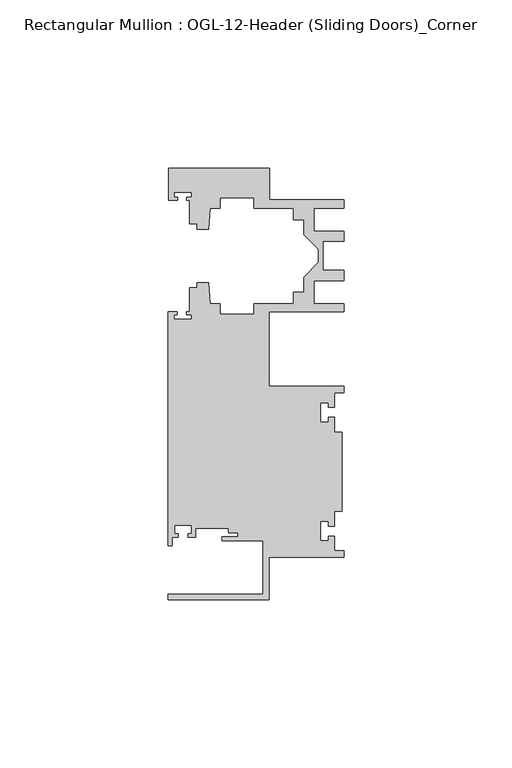
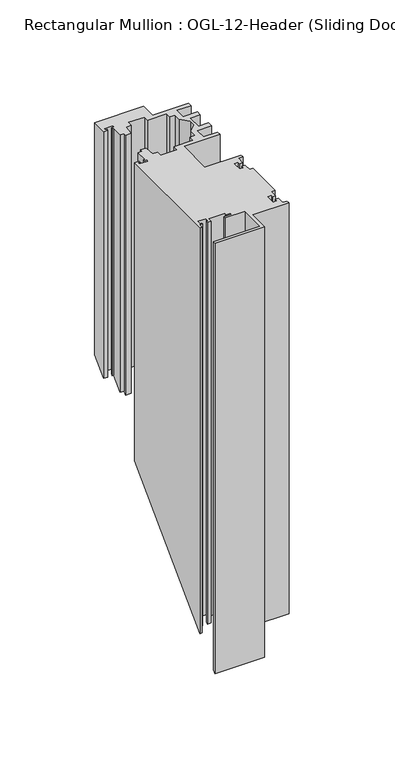
"""IFC4 building model written with IfcOpenShell, lengths in millimetres: member geometry, Rectangular Mullion : OGL-12-Header (Sliding Doors)_Corner."""

from ifc_helpers import new_model, si_unit, origin, place, context, project, spatial, faceted_brep, source, transform, mapped, element, save


def rectangular_mullion_ogl_12_header_sliding_doors_corner_7ee68cdb(model_context):
    return source(origin(), model_context, "Body", "Brep", [
        faceted_brep([(0.0, 4.7625, 0.0), (0.0, 6.674324, 0.0), (-2.740223, 6.674324, 0.0), (-2.740223, 11.0229141, 0.0), (-4.5407068, 11.0229141, 0.0), (-4.5407068, 9.6353294, 0.0), (-7.0406862, 9.6353294, 0.0), (-7.0406862, 15.3973275, 0.0), (-4.5407047, 15.3973275, 0.0), (-4.5407047, 14.0019048, 0.0), (-2.740223, 14.0019048, 0.0), (-2.740223, 18.3583296, 0.0), (-0.508, 18.3583296, 0.0), (-0.508, 41.9666704, 0.0), (-2.740223, 41.9666704, 0.0), (-2.740223, 46.3230952, 0.0), (-4.5407047, 46.3230952, 0.0), (-4.5407047, 44.9276725, 0.0), (-7.0406862, 44.9276725, 0.0), (-7.0406862, 50.6896706, 0.0), (-4.5407068, 50.6896706, 0.0), (-4.5407068, 49.3020859, 0.0), (-2.740223, 49.3020859, 0.0), (-2.740223, 53.650676, 0.0), (0.0, 53.650676, 0.0), (0.0, 55.5625, 0.0), (-22.2332898, 55.5625, 0.0), (-22.2332898, 77.675852, 0.0), (-0.0082575, 77.675852, 0.0), (-0.0082575, 80.175852, 0.0), (-8.8582575, 80.175852, 0.0), (-8.8582575, 87.0187795, 0.0), (-0.0082575, 87.0187795, 0.0), (-0.0082575, 90.0187795, 0.0), (-6.1582575, 90.0187795, 0.0), (-6.1582575, 98.6950565, 0.0), (-0.0082575, 98.6950565, 0.0), (-0.0082575, 101.6950565, 0.0), (-8.8582575, 101.6950565, 0.0), (-8.8582575, 108.537984, 0.0), (-0.0082575, 108.537984, 0.0), (-0.0082575, 111.037984, 0.0), (-22.2032575, 111.037984, 0.0), (-22.2032575, 120.4877352, 0.0), (-52.2095715, 120.4877352, 0.0), (-52.2095715, 110.9050364, 0.0), (-49.5692346, 110.9050364, 0.0), (-49.5692346, 111.8781466, 0.0), (-50.6220715, 111.8781466, 0.0), (-50.6220715, 113.2559363, 0.0), (-45.3220715, 113.2559363, 0.0), (-45.3220715, 111.8781466, 0.0), (-46.8181909, 111.8781466, 0.0), (-46.8181909, 110.9050364, 0.0), (-45.9710366, 110.9050364, 0.0), (-45.9710366, 103.9254518, 0.0), (-43.7582575, 103.9254518, 0.0), (-43.7582575, 102.337984, 0.0), (-40.3395523, 102.337984, 0.0), (-39.7961967, 108.5485669, 0.0), (-36.8419772, 108.5485669, 0.0), (-36.8419772, 111.712984, 0.0), (-26.7462575, 111.712984, 0.0), (-26.7462575, 108.537984, 0.0), (-15.0768765, 108.537984, 0.0), (-15.0768765, 105.137984, 0.0), (-11.8582575, 105.137984, 0.0), (-11.8582575, 100.6566892, 0.0), (-7.4980859, 96.2965176, 0.0), (-7.4980859, 92.4173184, 0.0), (-11.8582575, 88.0571468, 0.0), (-11.8582575, 83.575852, 0.0), (-15.0768765, 83.575852, 0.0), (-15.0768765, 80.175852, 0.0), (-26.7462575, 80.175852, 0.0), (-26.7462575, 77.000852, 0.0), (-36.8419772, 77.000852, 0.0), (-36.8419772, 80.1652691, 0.0), (-39.7961967, 80.1652691, 0.0), (-40.3395523, 86.375852, 0.0), (-43.7582575, 86.375852, 0.0), (-43.7582575, 84.8247994, 0.0), (-45.9710366, 84.8247994, 0.0), (-45.9710366, 77.745996, 0.0), (-46.769305, 77.745996, 0.0), (-46.769305, 76.8721046, 0.0), (-45.3220715, 76.8721046, 0.0), (-45.3220715, 75.4943149, 0.0), (-50.6220715, 75.4943149, 0.0), (-50.6220715, 76.8721046, 0.0), (-49.5910554, 76.8721046, 0.0), (-49.5910554, 77.745996, 0.0), (-52.3921824, 77.745996, 0.0), (-52.3921824, 8.1914024, 0.0), (-51.1362531, 8.1914024, 0.0), (-51.1362531, 10.6800725, 0.0), (-49.3568347, 10.6800725, 0.0), (-49.3568347, 11.6873375, 0.0), (-50.359397, 11.6873375, 0.0), (-50.359397, 14.1873325, 0.0), (-45.359407, 14.1873325, 0.0), (-45.359407, 11.6873375, 0.0), (-46.3304245, 11.6873375, 0.0), (-46.3304245, 10.6800725, 0.0), (-44.1094055, 10.6800725, 0.0), (-44.1094055, 13.2983325, 0.0), (-34.2833684, 13.2983325, 0.0), (-34.2833684, 12.0114739, 0.0), (-31.5444935, 12.0114739, 0.0), (-31.5444935, 10.8618293, 0.0), (-36.2104247, 10.8618293, 0.0), (-36.2104247, 9.5708266, 0.0), (-24.0747898, 9.5708266, 0.0), (-24.0747898, -6.350016, 0.0), (-52.3921824, -6.350016, 0.0), (-52.3921824, -7.9371792, 0.0), (-22.2332898, -7.9371792, 0.0), (-22.2332898, 4.7625, 0.0), (0.0, 4.7625, -265.90625), (0.0, 6.674324, -263.994426), (-2.740223, 6.674324, -263.994426), (-2.740223, 11.0229141, -259.6458359), (-4.5407068, 11.0229141, -259.6458359), (-4.5407068, 9.6353294, -261.0334206), (-7.0406862, 9.6353294, -261.0334206), (-7.0406862, 15.3973275, -255.2714225), (-4.5407047, 15.3973275, -255.2714225), (-4.5407047, 14.0019048, -256.6668452), (-2.740223, 14.0019048, -256.6668452), (-2.740223, 18.3583296, -252.3104204), (-0.508, 18.3583296, -252.3104204), (-0.508, 41.9666704, -228.7020796), (-2.740223, 41.9666704, -228.7020796), (-2.740223, 46.3230952, -224.3456548), (-4.5407047, 46.3230952, -224.3456548), (-4.5407047, 44.9276725, -225.7410775), (-7.0406862, 44.9276725, -225.7410775), (-7.0406862, 50.6896706, -219.9790794), (-4.5407068, 50.6896706, -219.9790794), (-4.5407068, 49.3020859, -221.3666641), (-2.740223, 49.3020859, -221.3666641), (-2.740223, 53.650676, -217.018074), (0.0, 53.650676, -217.018074), (0.0, 55.5625, -215.10625), (-22.2332898, 55.5625, -215.10625), (-22.2332898, 77.675852, -192.992898), (-0.0082575, 77.675852, -192.992898), (-0.0082575, 80.175852, -190.492898), (-8.8582575, 80.175852, -190.492898), (-8.8582575, 87.0187795, -183.6499705), (-0.0082575, 87.0187795, -183.6499705), (-0.0082575, 90.0187795, -180.6499705), (-6.1582575, 90.0187795, -180.6499705), (-6.1582575, 98.6950565, -171.9736935), (-0.0082575, 98.6950565, -171.9736935), (-0.0082575, 101.6950565, -168.9736935), (-8.8582575, 101.6950565, -168.9736935), (-8.8582575, 108.537984, -162.130766), (-0.0082575, 108.537984, -162.130766), (-0.0082575, 111.037984, -159.630766), (-22.2032575, 111.037984, -159.630766), (-22.2032575, 120.4877352, -150.1810148), (-52.2095715, 120.4877352, -150.1810148), (-52.2095715, 110.9050364, -159.7637136), (-49.5692346, 110.9050364, -159.7637136), (-49.5692346, 111.8781466, -158.7906034), (-50.6220715, 111.8781466, -158.7906034), (-50.6220715, 113.2559363, -157.4128137), (-45.3220715, 113.2559363, -157.4128137), (-45.3220715, 111.8781466, -158.7906034), (-46.8181909, 111.8781466, -158.7906034), (-46.8181909, 110.9050364, -159.7637136), (-45.9710366, 110.9050364, -159.7637136), (-45.9710366, 103.9254518, -166.7432982), (-43.7582575, 103.9254518, -166.7432982), (-43.7582575, 102.337984, -168.330766), (-40.3395523, 102.337984, -168.330766), (-39.7961967, 108.5485669, -162.1201831), (-36.8419772, 108.5485669, -162.1201831), (-36.8419772, 111.712984, -158.955766), (-26.7462575, 111.712984, -158.955766), (-26.7462575, 108.537984, -162.130766), (-15.0768765, 108.537984, -162.130766), (-15.0768765, 105.137984, -165.530766), (-11.8582575, 105.137984, -165.530766), (-11.8582575, 100.6566892, -170.0120608), (-7.4980859, 96.2965176, -174.3722324), (-7.4980859, 92.4173184, -178.2514316), (-11.8582575, 88.0571468, -182.6116032), (-11.8582575, 83.575852, -187.092898), (-15.0768765, 83.575852, -187.092898), (-15.0768765, 80.175852, -190.492898), (-26.7462575, 80.175852, -190.492898), (-26.7462575, 77.000852, -193.667898), (-36.8419772, 77.000852, -193.667898), (-36.8419772, 80.1652691, -190.5034809), (-39.7961967, 80.1652691, -190.5034809), (-40.3395523, 86.375852, -184.292898), (-43.7582575, 86.375852, -184.292898), (-43.7582575, 84.8247994, -185.8439506), (-45.9710366, 84.8247994, -185.8439506), (-45.9710366, 77.745996, -192.922754), (-46.769305, 77.745996, -192.922754), (-46.769305, 76.8721046, -193.7966454), (-45.3220715, 76.8721046, -193.7966454), (-45.3220715, 75.4943149, -195.1744351), (-50.6220715, 75.4943149, -195.1744351), (-50.6220715, 76.8721046, -193.7966454), (-49.5910554, 76.8721046, -193.7966454), (-49.5910554, 77.745996, -192.922754), (-52.3921824, 77.745996, -192.922754), (-52.3921824, 8.1914024, -262.4773476), (-51.1362531, 8.1914024, -262.4773476), (-51.1362531, 10.6800725, -259.9886775), (-49.3568347, 10.6800725, -259.9886775), (-49.3568347, 11.6873375, -258.9814125), (-50.359397, 11.6873375, -258.9814125), (-50.359397, 14.1873325, -256.4814175), (-45.359407, 14.1873325, -256.4814175), (-45.359407, 11.6873375, -258.9814125), (-46.3304245, 11.6873375, -258.9814125), (-46.3304245, 10.6800725, -259.9886775), (-44.1094055, 10.6800725, -259.9886775), (-44.1094055, 13.2983325, -257.3704175), (-34.2833684, 13.2983325, -257.3704175), (-34.2833684, 12.0114739, -258.6572761), (-31.5444935, 12.0114739, -258.6572761), (-31.5444935, 10.8618293, -259.8069207), (-36.2104247, 10.8618293, -259.8069207), (-36.2104247, 9.5708266, -261.0979234), (-24.0747898, 9.5708266, -261.0979234), (-24.0747898, -6.350016, -277.018766), (-52.3921824, -6.350016, -277.018766), (-52.3921824, -7.9371792, -278.6059292), (-22.2332898, -7.9371792, -278.6059292), (-22.2332898, 4.7625, -265.90625)], [[[0, 1, 2, 3, 4, 5, 6, 7, 8, 9, 10, 11, 12, 13, 14, 15, 16, 17, 18, 19, 20, 21, 22, 23, 24, 25, 26, 27, 28, 29, 30, 31, 32, 33, 34, 35, 36, 37, 38, 39, 40, 41, 42, 43, 44, 45, 46, 47, 48, 49, 50, 51, 52, 53, 54, 55, 56, 57, 58, 59, 60, 61, 62, 63, 64, 65, 66, 67, 68, 69, 70, 71, 72, 73, 74, 75, 76, 77, 78, 79, 80, 81, 82, 83, 84, 85, 86, 87, 88, 89, 90, 91, 92, 93, 94, 95, 96, 97, 98, 99, 100, 101, 102, 103, 104, 105, 106, 107, 108, 109, 110, 111, 112, 113, 114, 115, 116, 117]], [[1, 0, 118, 119]], [[2, 1, 119, 120]], [[3, 2, 120, 121]], [[4, 3, 121, 122]], [[5, 4, 122, 123]], [[6, 5, 123, 124]], [[7, 6, 124, 125]], [[8, 7, 125, 126]], [[9, 8, 126, 127]], [[10, 9, 127, 128]], [[11, 10, 128, 129]], [[12, 11, 129, 130]], [[13, 12, 130, 131]], [[14, 13, 131, 132]], [[15, 14, 132, 133]], [[16, 15, 133, 134]], [[17, 16, 134, 135]], [[18, 17, 135, 136]], [[19, 18, 136, 137]], [[20, 19, 137, 138]], [[21, 20, 138, 139]], [[22, 21, 139, 140]], [[23, 22, 140, 141]], [[24, 23, 141, 142]], [[25, 24, 142, 143]], [[26, 25, 143, 144]], [[27, 26, 144, 145]], [[28, 27, 145, 146]], [[29, 28, 146, 147]], [[30, 29, 147, 148]], [[31, 30, 148, 149]], [[32, 31, 149, 150]], [[33, 32, 150, 151]], [[34, 33, 151, 152]], [[35, 34, 152, 153]], [[36, 35, 153, 154]], [[37, 36, 154, 155]], [[38, 37, 155, 156]], [[39, 38, 156, 157]], [[40, 39, 157, 158]], [[41, 40, 158, 159]], [[42, 41, 159, 160]], [[43, 42, 160, 161]], [[44, 43, 161, 162]], [[45, 44, 162, 163]], [[46, 45, 163, 164]], [[47, 46, 164, 165]], [[48, 47, 165, 166]], [[49, 48, 166, 167]], [[50, 49, 167, 168]], [[51, 50, 168, 169]], [[52, 51, 169, 170]], [[53, 52, 170, 171]], [[54, 53, 171, 172]], [[55, 54, 172, 173]], [[56, 55, 173, 174]], [[57, 56, 174, 175]], [[58, 57, 175, 176]], [[59, 58, 176, 177]], [[60, 59, 177, 178]], [[61, 60, 178, 179]], [[62, 61, 179, 180]], [[63, 62, 180, 181]], [[64, 63, 181, 182]], [[65, 64, 182, 183]], [[66, 65, 183, 184]], [[67, 66, 184, 185]], [[68, 67, 185, 186]], [[69, 68, 186, 187]], [[70, 69, 187, 188]], [[71, 70, 188, 189]], [[72, 71, 189, 190]], [[73, 72, 190, 191]], [[74, 73, 191, 192]], [[75, 74, 192, 193]], [[76, 75, 193, 194]], [[77, 76, 194, 195]], [[78, 77, 195, 196]], [[79, 78, 196, 197]], [[80, 79, 197, 198]], [[81, 80, 198, 199]], [[82, 81, 199, 200]], [[83, 82, 200, 201]], [[84, 83, 201, 202]], [[85, 84, 202, 203]], [[86, 85, 203, 204]], [[87, 86, 204, 205]], [[88, 87, 205, 206]], [[89, 88, 206, 207]], [[90, 89, 207, 208]], [[91, 90, 208, 209]], [[92, 91, 209, 210]], [[93, 92, 210, 211]], [[94, 93, 211, 212]], [[95, 94, 212, 213]], [[96, 95, 213, 214]], [[97, 96, 214, 215]], [[98, 97, 215, 216]], [[99, 98, 216, 217]], [[100, 99, 217, 218]], [[101, 100, 218, 219]], [[102, 101, 219, 220]], [[103, 102, 220, 221]], [[104, 103, 221, 222]], [[105, 104, 222, 223]], [[106, 105, 223, 224]], [[107, 106, 224, 225]], [[108, 107, 225, 226]], [[109, 108, 226, 227]], [[110, 109, 227, 228]], [[111, 110, 228, 229]], [[112, 111, 229, 230]], [[113, 112, 230, 231]], [[114, 113, 231, 232]], [[115, 114, 232, 233]], [[116, 115, 233, 234]], [[117, 116, 234, 235]], [[0, 117, 235, 118]], [[118, 235, 234, 233, 232, 231, 230, 229, 228, 227, 226, 225, 224, 223, 222, 221, 220, 219, 218, 217, 216, 215, 214, 213, 212, 211, 210, 209, 208, 207, 206, 205, 204, 203, 202, 201, 200, 199, 198, 197, 196, 195, 194, 193, 192, 191, 190, 189, 188, 187, 186, 185, 184, 183, 182, 181, 180, 179, 178, 177, 176, 175, 174, 173, 172, 171, 170, 169, 168, 167, 166, 165, 164, 163, 162, 161, 160, 159, 158, 157, 156, 155, 154, 153, 152, 151, 150, 149, 148, 147, 146, 145, 144, 143, 142, 141, 140, 139, 138, 137, 136, 135, 134, 133, 132, 131, 130, 129, 128, 127, 126, 125, 124, 123, 122, 121, 120, 119]]]),
    ])


if __name__ == "__main__":
    model = new_model("IFC4")
    model_context = context("Model", 3, world=origin())
    ifc_project = project(units=[si_unit("LENGTHUNIT", "METRE", prefix="MILLI")], contexts=[model_context])
    site = spatial("IfcSite", under=ifc_project)
    building = spatial("IfcBuilding", under=site)
    placement = place(None, origin())
    rectangular_mullion_ogl_12_header_sliding_doors_corner_shape = rectangular_mullion_ogl_12_header_sliding_doors_corner_7ee68cdb(model_context)
    element("IfcMember", 1, ObjectType="Rectangular Mullion : OGL-12-Header (Sliding Doors)_Corner", at=placement, inside=building, context=model_context, shape_type="MappedRepresentation", body=[
        mapped(rectangular_mullion_ogl_12_header_sliding_doors_corner_shape, transform((0.0, 0.0, 0.0), x_axis=(1.0, 0.0, 0.0), y_axis=(0.0, 1.0, 0.0), z_axis=(0.0, 0.0, 1.0))),
    ])
    save(model, "model.ifc")
